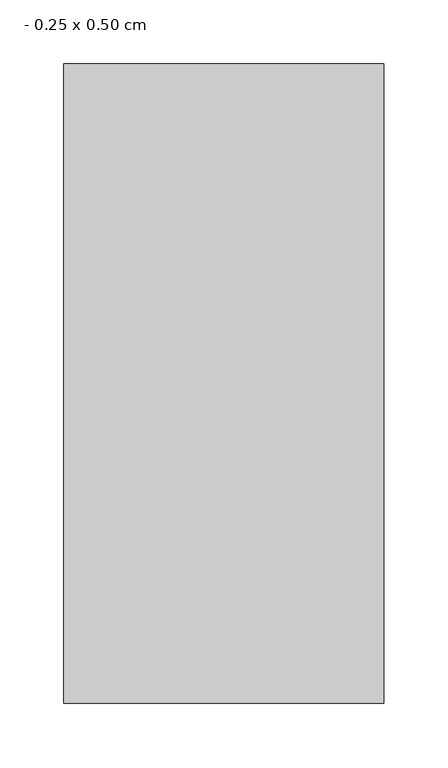
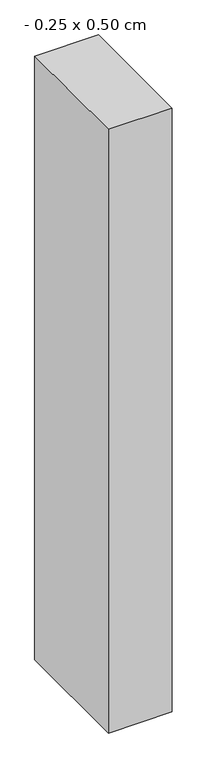
"""IFC4 building model written with IfcOpenShell, lengths in millimetres: column geometry, - 0.25 x 0.50 cm."""

from ifc_helpers import new_model, si_unit, origin, origin_with_axes, place, context, project, spatial, polyline, outline, extrude, source, transform, mapped, element, save


def column_0_25_x_0_50_cm_1ace336a(model_context):
    return source(origin(), model_context, "Body", "SweptSolid", [
        extrude(outline(polyline([(125.0, 250.0), (125.0, -250.0), (-125.0, -250.0), (-125.0, 250.0), (125.0, 250.0)])), origin_with_axes(), (0.0, 0.0, 1.0), 2500.0),
    ])


if __name__ == "__main__":
    model = new_model("IFC4")
    model_context = context("Model", 3, world=origin())
    ifc_project = project(units=[si_unit("LENGTHUNIT", "METRE", prefix="MILLI")], contexts=[model_context])
    site = spatial("IfcSite", under=ifc_project)
    building = spatial("IfcBuilding", under=site)
    placement = place(None, origin())
    column_0_25_x_0_50_cm_shape = column_0_25_x_0_50_cm_1ace336a(model_context)
    element("IfcColumn", 1, ObjectType="- 0.25 x 0.50 cm", at=placement, inside=building, context=model_context, shape_type="MappedRepresentation", body=[
        mapped(column_0_25_x_0_50_cm_shape, transform((0.0, 0.0, 0.0), x_axis=(1.0, 0.0, 0.0), y_axis=(0.0, 1.0, 0.0), z_axis=(0.0, 0.0, 1.0))),
    ])
    save(model, "model.ifc")
